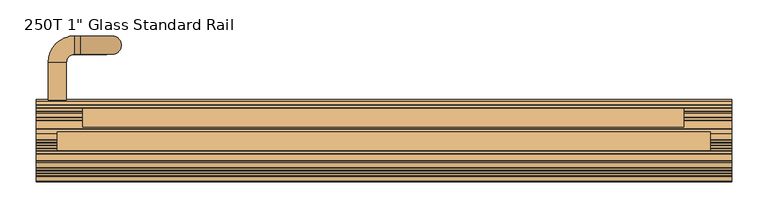
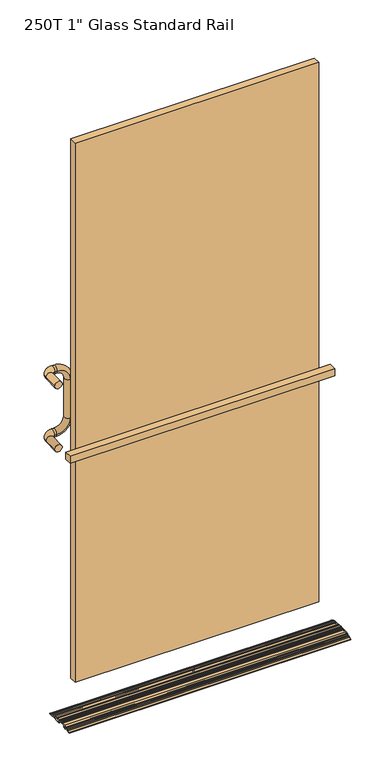
"""IFC4 building model written with IfcOpenShell, lengths in millimetres: door geometry."""

from ifc_helpers import new_model, si_unit, point, frame, origin, place, context, project, spatial, polyline, circle_curve, ellipse_curve, trimmed, outline, extrude, source, transform, mapped, element, save
from ifc_brep_helpers import plane_surface, cylinder_surface, revolved_surface, advanced_brep


def door_d03aa551(model_context):
    return source(origin(), model_context, "Body", "SolidModel", [
        advanced_brep(
        [(482.6, 56.0018773, 3.232503), (482.6, 50.6638234, 5.6801748), (482.6, 49.619888, 5.292623), (482.6, 46.7107366, 6.6265638), (482.6, 46.3231848, 7.6704992), (482.6, 45.4689102, 8.062212), (482.6, 41.1255102, 6.449763), (482.6, 41.1255102, 9.5486209), (482.6, 40.666302, 10.2643645), (482.6, 38.7887102, 11.1253015), (482.6, 32.9213102, 11.1253015), (482.6, 32.1339102, 10.3379015), (482.6, 28.9335102, 10.3379015), (482.6, 28.1461102, 11.1253015), (482.6, 17.3511102, 11.1253015), (482.6, 16.5637102, 10.3379015), (482.6, 10.2137102, 10.3379015), (482.6, 10.2137102, 12.7001015), (482.6, 2.1174048, 12.7001015), (482.6, 1.3300048, 11.9127015), (482.6, -1.8703952, 11.9127015), (482.6, -2.6577952, 12.7001015), (482.6, -5.7343425, 12.7001015), (482.6, -6.5217425, 11.9127015), (482.6, -9.7221425, 11.9127015), (482.6, -10.5095425, 12.7001015), (482.6, -13.5860898, 12.7001015), (482.6, -14.3734898, 11.9127015), (482.6, -17.5738898, 11.9127015), (482.6, -18.3612898, 12.7001015), (482.6, -30.2484898, 12.7001015), (482.6, -37.2890147, 9.711576), (482.6, -37.7061586, 8.6791088), (482.6, -40.6521423, 7.4286129), (482.6, -41.6846095, 7.8457567), (482.6, -44.7708782, 6.5357134), (482.6, -45.188022, 5.5032462), (482.6, -48.1340058, 4.2527503), (482.6, -49.166473, 4.6698941), (482.6, -55.9815515, 1.7770649), (482.6, -56.4612898, 1.0522594), (482.6, -56.4613134, 9.84e-05), (482.6, -51.5229181, 0.6619452), (482.6, -49.2639778, 1.6208084), (482.6, -48.2315106, 1.2036646), (482.6, -43.1812527, 3.3473719), (482.6, -42.7641089, 4.3798391), (482.6, -41.7821143, 4.7966711), (482.6, -40.7496471, 4.3795272), (482.6, -35.6993893, 6.5232345), (482.6, -35.2822455, 7.5557017), (482.6, -33.3475373, 8.3769366), (482.6, -32.3312276, 7.3088865), (482.6, -32.7376898, 5.5373015), (482.6, -32.7376898, 0.0), (482.6, -30.7056898, 0.0), (482.6, -30.7056898, 3.1751015), (482.6, -25.9480674, 3.1751015), (482.6, -26.613477, 8.4977963), (482.6, -26.1637123, 9.9315015), (482.6, -19.3661635, 9.9315015), (482.6, -18.5787635, 9.1441015), (482.6, -13.3686162, 9.1441015), (482.6, -12.5812162, 9.9315015), (482.6, -11.5144162, 9.9315015), (482.6, -10.7270162, 9.1441015), (482.6, -5.5168689, 9.1441015), (482.6, -4.7294689, 9.9315015), (482.6, -3.6626689, 9.9315015), (482.6, -2.8752689, 9.1441015), (482.6, 3.1017102, 9.1441015), (482.6, 3.8891102, 8.3567015), (482.6, 3.8891102, 0.7875015), (482.6, 4.6765102, 0.0001015), (482.6, 10.2137102, 0.0), (482.6, 10.2137102, 2.7687015), (482.6, 16.5637102, 2.7687015), (482.6, 16.5637102, 0.0), (482.6, 22.1009102, 0.0), (482.6, 22.8883102, 0.7875015), (482.6, 22.8883102, 7.5693015), (482.6, 23.6757102, 8.3567015), (482.6, 26.1549621, 8.3567015), (482.6, 26.8531158, 7.2051859), (482.6, 27.3254878, 3.1751015), (482.6, 32.7767326, 3.1751015), (482.6, 33.2491045, 7.2051859), (482.6, 33.9472582, 8.3567015), (482.6, 36.7821102, 8.3567015), (482.6, 36.7821102, 5.9691015), (482.6, 39.1697102, 3.5815015), (482.6, 41.3543822, 3.5815015), (482.6, 43.0813102, 4.2226083), (482.6, 43.0813102, 0.0), (482.6, 45.8499102, 0.0), (482.6, 45.8499102, 3.6144549), (482.6, 46.965502, 4.3301985), (482.6, 52.9111102, 1.6039432), (482.6, 52.9111102, 0.6605015), (482.6, 57.8173069, 0.00297), (-482.6, 56.0018773, 3.232503), (-482.6, 57.8173069, 0.00297), (-482.6, 52.9111102, 0.6605015), (-482.6, 52.9111102, 1.6039432), (-482.6, 46.965502, 4.3301985), (-482.6, 45.8499102, 3.6144549), (-482.6, 45.8499102, 0.0), (-482.6, 43.0813102, 0.0), (-482.6, 43.0813102, 4.2226083), (-482.6, 41.3543822, 3.5815015), (-482.6, 39.1697102, 3.5815015), (-482.6, 36.7821102, 5.9691015), (-482.6, 36.7821102, 8.3567015), (-482.6, 33.9472582, 8.3567015), (-482.6, 33.2491045, 7.2051859), (-482.6, 32.7767326, 3.1751015), (-482.6, 27.3254878, 3.1751015), (-482.6, 26.8531158, 7.2051859), (-482.6, 26.1549621, 8.3567015), (-482.6, 23.6757102, 8.3567015), (-482.6, 22.8883102, 7.5693015), (-482.6, 22.8883102, 0.7875015), (-482.6, 22.1009102, 0.0001015), (-482.6, 16.5637102, 0.0), (-482.6, 16.5637102, 2.7687015), (-482.6, 10.2137102, 2.7687015), (-482.6, 10.2137102, 0.0), (-482.6, 4.6765102, 0.0), (-482.6, 3.8891102, 0.7875015), (-482.6, 3.8891102, 8.3567015), (-482.6, 3.1017102, 9.1441015), (-482.6, -2.8752689, 9.1441015), (-482.6, -3.6626689, 9.9315015), (-482.6, -4.7294689, 9.9315015), (-482.6, -5.5168689, 9.1441015), (-482.6, -10.7270162, 9.1441015), (-482.6, -11.5144162, 9.9315015), (-482.6, -12.5812162, 9.9315015), (-482.6, -13.3686162, 9.1441015), (-482.6, -18.5787635, 9.1441015), (-482.6, -19.3661635, 9.9315015), (-482.6, -26.1637123, 9.9315015), (-482.6, -26.613477, 8.4977963), (-482.6, -25.9480674, 3.1751015), (-482.6, -30.7056898, 3.1751015), (-482.6, -30.7056898, 0.0), (-482.6, -32.7376898, 0.0), (-482.6, -32.7376898, 5.5373015), (-482.6, -32.3312276, 7.3088865), (-482.6, -33.3475373, 8.3769366), (-482.6, -35.2822455, 7.5557017), (-482.6, -35.6993893, 6.5232345), (-482.6, -40.7496471, 4.3795272), (-482.6, -41.7821143, 4.7966711), (-482.6, -42.7641089, 4.3798391), (-482.6, -43.1812527, 3.3473719), (-482.6, -48.2315106, 1.2036646), (-482.6, -49.2639778, 1.6208084), (-482.6, -51.5229181, 0.6619452), (-482.6, -56.4613134, 9.84e-05), (-482.6, -56.4613134, 1.0522594), (-482.6, -55.9815515, 1.7770649), (-482.6, -49.166473, 4.6698941), (-482.6, -48.1340058, 4.2527503), (-482.6, -45.188022, 5.5032462), (-482.6, -44.7708782, 6.5357134), (-482.6, -41.6846095, 7.8457567), (-482.6, -40.6521423, 7.4286129), (-482.6, -37.7061586, 8.6791088), (-482.6, -37.2890147, 9.711576), (-482.6, -30.2484898, 12.7001015), (-482.6, -18.3612898, 12.7001015), (-482.6, -17.5738898, 11.9127015), (-482.6, -14.3734898, 11.9127015), (-482.6, -13.5860898, 12.7001015), (-482.6, -10.5095425, 12.7001015), (-482.6, -9.7221425, 11.9127015), (-482.6, -6.5217425, 11.9127015), (-482.6, -5.7343425, 12.7001015), (-482.6, -2.6577952, 12.7001015), (-482.6, -1.8703952, 11.9127015), (-482.6, 1.3300048, 11.9127015), (-482.6, 2.1174048, 12.7001015), (-482.6, 10.2137102, 12.7001015), (-482.6, 10.2137102, 10.3379015), (-482.6, 16.5637102, 10.3379015), (-482.6, 17.3511102, 11.1253015), (-482.6, 28.1461102, 11.1253015), (-482.6, 28.9335102, 10.3379015), (-482.6, 32.1339102, 10.3379015), (-482.6, 32.9213102, 11.1253015), (-482.6, 38.7887102, 11.1253015), (-482.6, 40.666302, 10.2643645), (-482.6, 41.1255102, 9.5486209), (-482.6, 41.1255102, 6.449763), (-482.6, 45.4689102, 8.062212), (-482.6, 46.3231848, 7.6704992), (-482.6, 46.7107366, 6.6265638), (-482.6, 49.619888, 5.292623), (-482.6, 50.6638234, 5.6801748)],
        [
            (0, 1),
            (1, 2),
            (2, 3),
            (3, 4),
            (4, 5),
            (5, 6),
            (6, 7),
            (7, 8, circle_curve(frame((482.6, 40.3381102, 9.5486209), z_axis=(1.0, 0.0, 0.0), x_axis=(0.0, -1.0, 0.0)), 0.7874)),
            (8, 9),
            (9, 10),
            (10, 11),
            (11, 12),
            (12, 13),
            (13, 14),
            (14, 15, circle_curve(frame((482.6, 17.3511102, 10.3379015), z_axis=(1.0, 0.0, 0.0), x_axis=(0.0, -1.0, 0.0)), 0.7874)),
            (15, 16, circle_curve(frame((482.6, 13.3887102, 24.0835969), z_axis=(-1.0, 0.0, 0.0), x_axis=(0.0, -1.0, 0.0)), 14.1076138)),
            (16, 17),
            (17, 18),
            (18, 19),
            (19, 20),
            (20, 21),
            (21, 22),
            (22, 23),
            (23, 24),
            (24, 25),
            (25, 26),
            (26, 27),
            (27, 28),
            (28, 29),
            (29, 30),
            (30, 31),
            (31, 32),
            (32, 33),
            (33, 34),
            (34, 35),
            (35, 36),
            (36, 37),
            (37, 38),
            (38, 39),
            (39, 40, circle_curve(frame((482.6, -55.6738898, 1.0522594), z_axis=(1.0, 0.0, 0.0), x_axis=(0.0, -1.0, 0.0)), 0.7874)),
            (40, 41),
            (41, 42),
            (42, 43),
            (43, 44),
            (44, 45),
            (45, 46),
            (46, 47),
            (47, 48),
            (48, 49),
            (49, 50),
            (50, 51),
            (51, 52, circle_curve(frame((482.6, -33.0398756, 7.6521311), z_axis=(-1.0, 0.0, 0.0), x_axis=(0.0, -1.0, 0.0)), 0.7874)),
            (52, 53, circle_curve(frame((482.6, -28.6736898, 5.5373015), z_axis=(1.0, 0.0, 0.0), x_axis=(0.0, -1.0, 0.0)), 4.064)),
            (53, 54),
            (54, 55),
            (55, 56),
            (56, 57),
            (57, 58, circle_curve(frame((482.6, -28.6736898, 5.5373015), z_axis=(1.0, 0.0, 0.0), x_axis=(0.0, -1.0, 0.0)), 3.6068)),
            (58, 59, circle_curve(frame((482.6, -26.1637123, 9.1441015), z_axis=(-1.0, 0.0, 0.0), x_axis=(0.0, -1.0, 0.0)), 0.7874)),
            (59, 60),
            (60, 61),
            (61, 62),
            (62, 63),
            (63, 64),
            (64, 65),
            (65, 66),
            (66, 67),
            (67, 68),
            (68, 69),
            (69, 70),
            (70, 71, circle_curve(frame((482.6, 3.1017102, 8.3567015), z_axis=(-1.0, 0.0, 0.0), x_axis=(0.0, -1.0, 0.0)), 0.7874)),
            (71, 72),
            (72, 73, circle_curve(frame((482.6, 4.6765102, 0.7875015), z_axis=(1.0, 0.0, 0.0), x_axis=(0.0, -1.0, 0.0)), 0.7874)),
            (73, 74),
            (74, 75),
            (75, 76),
            (76, 77),
            (77, 78),
            (78, 79, circle_curve(frame((482.6, 22.1009102, 0.7875015), z_axis=(1.0, 0.0, 0.0), x_axis=(0.0, -1.0, 0.0)), 0.7874)),
            (79, 80),
            (80, 81, circle_curve(frame((482.6, 23.6757102, 7.5693015), z_axis=(-1.0, 0.0, 0.0), x_axis=(0.0, -1.0, 0.0)), 0.7874)),
            (81, 82),
            (82, 83, circle_curve(frame((482.6, 26.1549621, 7.5693015), z_axis=(-1.0, 0.0, 0.0), x_axis=(0.0, -1.0, 0.0)), 0.7874)),
            (83, 84, circle_curve(frame((482.6, 30.0511102, 5.5373015), z_axis=(1.0, 0.0, 0.0), x_axis=(0.0, -1.0, 0.0)), 3.6068)),
            (84, 85),
            (85, 86, circle_curve(frame((482.6, 30.0511102, 5.5373015), z_axis=(1.0, 0.0, 0.0), x_axis=(0.0, -1.0, 0.0)), 3.6068)),
            (86, 87, circle_curve(frame((482.6, 33.9472582, 7.5693015), z_axis=(-1.0, 0.0, 0.0), x_axis=(0.0, -1.0, 0.0)), 0.7874)),
            (87, 88),
            (88, 89),
            (89, 90, circle_curve(frame((482.6, 39.1697102, 5.9691015), z_axis=(1.0, 0.0, 0.0), x_axis=(0.0, -1.0, 0.0)), 2.3876)),
            (90, 91),
            (91, 92),
            (92, 93),
            (93, 94),
            (94, 95),
            (95, 96, circle_curve(frame((482.6, 46.6373102, 3.6144549), z_axis=(-1.0, 0.0, 0.0), x_axis=(0.0, -1.0, 0.0)), 0.7874)),
            (96, 97),
            (97, 98),
            (98, 99),
            (99, 0, circle_curve(frame((482.6, 54.6891102, 0.3695285), z_axis=(1.0, 0.0, 0.0), x_axis=(0.0, -1.0, 0.0)), 3.1496)),
            (100, 101, circle_curve(frame((-482.6, 54.6891102, 0.3695285), z_axis=(-1.0, 0.0, 0.0), x_axis=(0.0, -1.0, 0.0)), 3.1496)),
            (101, 102),
            (102, 103),
            (103, 104),
            (104, 105, circle_curve(frame((-482.6, 46.6373102, 3.6144549), z_axis=(1.0, 0.0, 0.0), x_axis=(0.0, -1.0, 0.0)), 0.7874)),
            (105, 106),
            (106, 107),
            (107, 108),
            (108, 109),
            (109, 110),
            (110, 111, circle_curve(frame((-482.6, 39.1697102, 5.9691015), z_axis=(-1.0, 0.0, 0.0), x_axis=(0.0, -1.0, 0.0)), 2.3876)),
            (111, 112),
            (112, 113),
            (113, 114, circle_curve(frame((-482.6, 33.9472582, 7.5693015), z_axis=(1.0, 0.0, 0.0), x_axis=(0.0, -1.0, 0.0)), 0.7874)),
            (114, 115, circle_curve(frame((-482.6, 30.0511102, 5.5373015), z_axis=(-1.0, 0.0, 0.0), x_axis=(0.0, -1.0, 0.0)), 3.6068)),
            (115, 116),
            (116, 117, circle_curve(frame((-482.6, 30.0511102, 5.5373015), z_axis=(-1.0, 0.0, 0.0), x_axis=(0.0, -1.0, 0.0)), 3.6068)),
            (117, 118, circle_curve(frame((-482.6, 26.1549621, 7.5693015), z_axis=(1.0, 0.0, 0.0), x_axis=(0.0, -1.0, 0.0)), 0.7874)),
            (118, 119),
            (119, 120, circle_curve(frame((-482.6, 23.6757102, 7.5693015), z_axis=(1.0, 0.0, 0.0), x_axis=(0.0, -1.0, 0.0)), 0.7874)),
            (120, 121),
            (121, 122, circle_curve(frame((-482.6, 22.1009102, 0.7875015), z_axis=(-1.0, 0.0, 0.0), x_axis=(0.0, -1.0, 0.0)), 0.7874)),
            (122, 123),
            (123, 124),
            (124, 125),
            (125, 126),
            (126, 127),
            (127, 128, circle_curve(frame((-482.6, 4.6765102, 0.7875015), z_axis=(-1.0, 0.0, 0.0), x_axis=(0.0, -1.0, 0.0)), 0.7874)),
            (128, 129),
            (129, 130, circle_curve(frame((-482.6, 3.1017102, 8.3567015), z_axis=(1.0, 0.0, 0.0), x_axis=(0.0, -1.0, 0.0)), 0.7874)),
            (130, 131),
            (131, 132),
            (132, 133),
            (133, 134),
            (134, 135),
            (135, 136),
            (136, 137),
            (137, 138),
            (138, 139),
            (139, 140),
            (140, 141),
            (141, 142, circle_curve(frame((-482.6, -26.1637123, 9.1441015), z_axis=(1.0, 0.0, 0.0), x_axis=(0.0, -1.0, 0.0)), 0.7874)),
            (142, 143, circle_curve(frame((-482.6, -28.6736898, 5.5373015), z_axis=(-1.0, 0.0, 0.0), x_axis=(0.0, -1.0, 0.0)), 3.6068)),
            (143, 144),
            (144, 145),
            (145, 146),
            (146, 147),
            (147, 148, circle_curve(frame((-482.6, -28.6736898, 5.5373015), z_axis=(-1.0, 0.0, 0.0), x_axis=(0.0, -1.0, 0.0)), 4.064)),
            (148, 149, circle_curve(frame((-482.6, -33.0398756, 7.6521311), z_axis=(1.0, 0.0, 0.0), x_axis=(0.0, -1.0, 0.0)), 0.7874)),
            (149, 150),
            (150, 151),
            (151, 152),
            (152, 153),
            (153, 154),
            (154, 155),
            (155, 156),
            (156, 157),
            (157, 158),
            (158, 159),
            (159, 160),
            (160, 161, circle_curve(frame((-482.6, -55.6738898, 1.0522594), z_axis=(-1.0, 0.0, 0.0), x_axis=(0.0, -1.0, 0.0)), 0.7874)),
            (161, 162),
            (162, 163),
            (163, 164),
            (164, 165),
            (165, 166),
            (166, 167),
            (167, 168),
            (168, 169),
            (169, 170),
            (170, 171),
            (171, 172),
            (172, 173),
            (173, 174),
            (174, 175),
            (175, 176),
            (176, 177),
            (177, 178),
            (178, 179),
            (179, 180),
            (180, 181),
            (181, 182),
            (182, 183),
            (183, 184),
            (184, 185, circle_curve(frame((-482.6, 13.3887102, 24.0835969), z_axis=(1.0, 0.0, 0.0), x_axis=(0.0, -1.0, 0.0)), 14.1076138)),
            (185, 186, circle_curve(frame((-482.6, 17.3511102, 10.3379015), z_axis=(-1.0, 0.0, 0.0), x_axis=(0.0, -1.0, 0.0)), 0.7874)),
            (186, 187),
            (187, 188),
            (188, 189),
            (189, 190),
            (190, 191),
            (191, 192),
            (192, 193, circle_curve(frame((-482.6, 40.3381102, 9.5486209), z_axis=(-1.0, 0.0, 0.0), x_axis=(0.0, -1.0, 0.0)), 0.7874)),
            (193, 194),
            (194, 195),
            (195, 196),
            (196, 197),
            (197, 198),
            (198, 199),
            (199, 100),
            (100, 0),
            (99, 101),
            (98, 102),
            (97, 103),
            (96, 104),
            (95, 105),
            (94, 106),
            (93, 107),
            (92, 108),
            (91, 109),
            (90, 110),
            (89, 111),
            (88, 112),
            (87, 113),
            (86, 114),
            (85, 115),
            (84, 116),
            (83, 117),
            (82, 118),
            (81, 119),
            (80, 120),
            (79, 121),
            (78, 122),
            (77, 123),
            (76, 124),
            (75, 125),
            (74, 126),
            (73, 127),
            (72, 128),
            (71, 129),
            (70, 130),
            (69, 131),
            (68, 132),
            (67, 133),
            (66, 134),
            (65, 135),
            (64, 136),
            (63, 137),
            (62, 138),
            (61, 139),
            (60, 140),
            (59, 141),
            (58, 142),
            (57, 143),
            (56, 144),
            (55, 145),
            (54, 146),
            (53, 147),
            (52, 148),
            (51, 149),
            (50, 150),
            (49, 151),
            (48, 152),
            (47, 153),
            (46, 154),
            (45, 155),
            (44, 156),
            (43, 157),
            (42, 158),
            (41, 159),
            (40, 160),
            (39, 161),
            (38, 162),
            (37, 163),
            (36, 164),
            (35, 165),
            (34, 166),
            (33, 167),
            (32, 168),
            (31, 169),
            (30, 170),
            (29, 171),
            (28, 172),
            (27, 173),
            (26, 174),
            (25, 175),
            (24, 176),
            (23, 177),
            (22, 178),
            (21, 179),
            (20, 180),
            (19, 181),
            (18, 182),
            (17, 183),
            (16, 184),
            (15, 185),
            (14, 186),
            (13, 187),
            (12, 188),
            (11, 189),
            (10, 190),
            (9, 191),
            (8, 192),
            (7, 193),
            (6, 194),
            (5, 195),
            (4, 196),
            (3, 197),
            (2, 198),
            (1, 199),
        ],
        [
            plane_surface(frame((482.6, 51.5395102, 0.3695285), z_axis=(1.0, 0.0, 0.0), x_axis=(0.0, 0.0, -1.0))),
            plane_surface(frame((-482.6, 51.5395102, 0.3695285), z_axis=(-1.0, 0.0, 0.0), x_axis=(0.0, 0.0, 1.0))),
            cylinder_surface(frame((482.6, 54.6891102, 0.3695285), z_axis=(-1.0, 0.0, 0.0), x_axis=(0.0, -1.0, 0.0)), 3.1496),
            plane_surface(frame((-482.6, 57.8173069, 0.00297), z_axis=(0.0, -0.13283298616435907, -0.9911384352282274), x_axis=(1.0, 0.0, 0.0))),
            plane_surface(frame((-482.6, 52.9111102, 0.6605015), z_axis=(0.0, -1.0, 0.0), x_axis=(1.0, 0.0, 0.0))),
            plane_surface(frame((-482.6, 52.9111102, 1.6039432), z_axis=(0.0, -0.4168044055904199, -0.9089961977260503), x_axis=(1.0, 0.0, 0.0))),
            revolved_surface(polyline([(482.6, 45.849910200000004, 3.6144549), (-482.6, 45.849910200000004, 3.6144549)]), (482.6, 46.6373102, 3.6144549), (1.0, 0.0, 0.0)),
            plane_surface(frame((-482.6, 45.8499102, 3.6144549), z_axis=(0.0, 1.0, 0.0), x_axis=(1.0, 0.0, 0.0))),
            plane_surface(frame((-482.6, 45.8499102, 0.0), z_axis=(0.0, 0.0, -1.0), x_axis=(1.0, 0.0, 0.0))),
            plane_surface(frame((-482.6, 43.0813102, 0.0), z_axis=(0.0, -1.0, 0.0), x_axis=(1.0, 0.0, 0.0))),
            plane_surface(frame((-482.6, 43.0813102, 4.2226083), z_axis=(0.0, 0.34803215386348857, -0.9374825971062828), x_axis=(1.0, 0.0, 0.0))),
            plane_surface(frame((-482.6, 41.3543822, 3.5815015), z_axis=(0.0, 0.0, -1.0), x_axis=(1.0, 0.0, 0.0))),
            cylinder_surface(frame((482.6, 39.1697102, 5.9691015), z_axis=(-1.0, 0.0, 0.0), x_axis=(0.0, -1.0, 0.0)), 2.3876),
            plane_surface(frame((-482.6, 36.7821102, 5.9691015), z_axis=(0.0, -1.0, 0.0), x_axis=(1.0, 0.0, 0.0))),
            plane_surface(frame((-482.6, 36.7821102, 8.3567015), z_axis=(0.0, 0.0, -1.0), x_axis=(1.0, 0.0, 0.0))),
            revolved_surface(polyline([(482.6, 33.1598582, 7.5693015), (-482.6, 33.1598582, 7.5693015)]), (482.6, 33.9472582, 7.5693015), (1.0, 0.0, 0.0)),
            cylinder_surface(frame((482.6, 30.0511102, 5.5373015), z_axis=(-1.0, 0.0, 0.0), x_axis=(0.0, -1.0, 0.0)), 3.6068),
            plane_surface(frame((-482.6, 32.7767326, 3.1751015), z_axis=(0.0, 0.0, -1.0), x_axis=(1.0, 0.0, 0.0))),
            revolved_surface(polyline([(482.6, 25.367562099999997, 7.5693015), (-482.6, 25.367562099999997, 7.5693015)]), (482.6, 26.1549621, 7.5693015), (1.0, 0.0, 0.0)),
            plane_surface(frame((-482.6, 26.1549621, 8.3567015), z_axis=(0.0, 0.0, -1.0), x_axis=(1.0, 0.0, 0.0))),
            revolved_surface(polyline([(482.6, 22.8883102, 7.5693015), (-482.6, 22.8883102, 7.5693015)]), (482.6, 23.6757102, 7.5693015), (1.0, 0.0, 0.0)),
            plane_surface(frame((-482.6, 22.8883102, 7.5693015), z_axis=(0.0, 1.0, 0.0), x_axis=(1.0, 0.0, 0.0))),
            cylinder_surface(frame((482.6, 22.1009102, 0.7875015), z_axis=(-1.0, 0.0, 0.0), x_axis=(0.0, -1.0, 0.0)), 0.7874),
            plane_surface(frame((-482.6, 22.1009102, 0.0), z_axis=(0.0, 0.0, -1.0), x_axis=(1.0, 0.0, 0.0))),
            plane_surface(frame((-482.6, 16.5637102, 0.0), z_axis=(0.0, -1.0, 0.0), x_axis=(1.0, 0.0, 0.0))),
            plane_surface(frame((-482.6, 16.5637102, 2.7687015), z_axis=(0.0, 0.0, -1.0), x_axis=(1.0, 0.0, 0.0))),
            plane_surface(frame((-482.6, 10.2137102, 2.7687015), z_axis=(0.0, 1.0, 0.0), x_axis=(1.0, 0.0, 0.0))),
            plane_surface(frame((-482.6, 10.2137102, 0.0), z_axis=(0.0, 0.0, -1.0), x_axis=(1.0, 0.0, 0.0))),
            cylinder_surface(frame((482.6, 4.6765102, 0.7875015), z_axis=(-1.0, 0.0, 0.0), x_axis=(0.0, -1.0, 0.0)), 0.7874),
            plane_surface(frame((-482.6, 3.8891102, 0.7875015), z_axis=(0.0, -1.0, 0.0), x_axis=(1.0, 0.0, 0.0))),
            revolved_surface(polyline([(482.6, 2.3143102, 8.3567015), (-482.6, 2.3143102, 8.3567015)]), (482.6, 3.1017102, 8.3567015), (1.0, 0.0, 0.0)),
            plane_surface(frame((-482.6, 3.1017102, 9.1441015), z_axis=(0.0, 0.0, -1.0), x_axis=(1.0, 0.0, 0.0))),
            plane_surface(frame((-482.6, -2.8752689, 9.1441015), z_axis=(0.0, -0.7071067811858994, -0.7071067811871957), x_axis=(1.0, 0.0, 0.0))),
            plane_surface(frame((-482.6, -3.6626689, 9.9315015), z_axis=(0.0, 0.0, -1.0), x_axis=(1.0, 0.0, 0.0))),
            plane_surface(frame((-482.6, -4.7294689, 9.9315015), z_axis=(0.0, 0.7071067811858999, -0.7071067811871952), x_axis=(1.0, 0.0, 0.0))),
            plane_surface(frame((-482.6, -5.5168689, 9.1441015), z_axis=(0.0, 0.0, -1.0), x_axis=(1.0, 0.0, 0.0))),
            plane_surface(frame((-482.6, -10.7270162, 9.1441015), z_axis=(0.0, -0.7071067811865451, -0.7071067811865499), x_axis=(1.0, 0.0, 0.0))),
            plane_surface(frame((-482.6, -11.5144162, 9.9315015), z_axis=(0.0, 0.0, -1.0), x_axis=(1.0, 0.0, 0.0))),
            plane_surface(frame((-482.6, -12.5812162, 9.9315015), z_axis=(0.0, 0.7071067811858999, -0.7071067811871952), x_axis=(1.0, 0.0, 0.0))),
            plane_surface(frame((-482.6, -13.3686162, 9.1441015), z_axis=(0.0, 0.0, -1.0), x_axis=(1.0, 0.0, 0.0))),
            plane_surface(frame((-482.6, -18.5787635, 9.1441015), z_axis=(0.0, -0.7071067811858994, -0.7071067811871957), x_axis=(1.0, 0.0, 0.0))),
            plane_surface(frame((-482.6, -19.3661635, 9.9315015), z_axis=(0.0, 0.0, -1.0), x_axis=(1.0, 0.0, 0.0))),
            revolved_surface(polyline([(482.6, -26.951112300000002, 9.1441015), (-482.6, -26.951112300000002, 9.1441015)]), (482.6, -26.1637123, 9.1441015), (1.0, 0.0, 0.0)),
            cylinder_surface(frame((482.6, -28.6736898, 5.5373015), z_axis=(-1.0, 0.0, 0.0), x_axis=(0.0, -1.0, 0.0)), 3.6068),
            plane_surface(frame((-482.6, -25.9480674, 3.1751015), z_axis=(0.0, 0.0, -1.0), x_axis=(1.0, 0.0, 0.0))),
            plane_surface(frame((-482.6, -30.7056898, 3.1751015), z_axis=(0.0, 1.0, 0.0), x_axis=(1.0, 0.0, 0.0))),
            plane_surface(frame((-482.6, -30.7056898, 0.0), z_axis=(0.0, 0.0, -1.0), x_axis=(1.0, 0.0, 0.0))),
            plane_surface(frame((-482.6, -32.7376898, 0.0), z_axis=(0.0, -1.0, 0.0), x_axis=(1.0, 0.0, 0.0))),
            cylinder_surface(frame((482.6, -28.6736898, 5.5373015), z_axis=(-1.0, 0.0, 0.0), x_axis=(0.0, -1.0, 0.0)), 4.064),
            revolved_surface(polyline([(482.6, -33.8272756, 7.6521311), (-482.6, -33.8272756, 7.6521311)]), (482.6, -33.0398756, 7.6521311), (1.0, 0.0, 0.0)),
            plane_surface(frame((-482.6, -33.3475373, 8.3769366), z_axis=(0.0, 0.3907311284894216, -0.9205048534523776), x_axis=(1.0, 0.0, 0.0))),
            plane_surface(frame((-482.6, -35.2822455, 7.5557017), z_axis=(0.0, 0.9271838545667257, -0.37460659341606467), x_axis=(1.0, 0.0, 0.0))),
            plane_surface(frame((-482.6, -35.6993893, 6.5232345), z_axis=(0.0, 0.39073112848902, -0.9205048534525481), x_axis=(1.0, 0.0, 0.0))),
            plane_surface(frame((-482.6, -40.7496471, 4.3795272), z_axis=(0.0, -0.3746065934149557, -0.9271838545671738), x_axis=(1.0, 0.0, 0.0))),
            plane_surface(frame((-482.6, -41.7821143, 4.7966711), z_axis=(0.0, 0.3907311284888004, -0.9205048534526413), x_axis=(1.0, 0.0, 0.0))),
            plane_surface(frame((-482.6, -42.7641089, 4.3798391), z_axis=(0.0, 0.9271838545667251, -0.3746065934160663), x_axis=(1.0, 0.0, 0.0))),
            plane_surface(frame((-482.6, -43.1812527, 3.3473719), z_axis=(0.0, 0.39073112848946623, -0.9205048534523587), x_axis=(1.0, 0.0, 0.0))),
            plane_surface(frame((-482.6, -48.2315106, 1.2036646), z_axis=(0.0, -0.3746065934171786, -0.9271838545662757), x_axis=(1.0, 0.0, 0.0))),
            plane_surface(frame((-482.6, -49.2639778, 1.6208084), z_axis=(0.0, 0.3907311284899537, -0.9205048534521517), x_axis=(1.0, 0.0, 0.0))),
            plane_surface(frame((-482.6, -51.5229181, 0.6619452), z_axis=(0.0, 0.13283298616442385, -0.9911384352282188), x_axis=(1.0, 0.0, 0.0))),
            plane_surface(frame((-482.6, -56.4613134, 9.84e-05), z_axis=(0.0, -1.0, 0.0), x_axis=(1.0, 0.0, 0.0))),
            cylinder_surface(frame((482.6, -55.6738898, 1.0522594), z_axis=(-1.0, 0.0, 0.0), x_axis=(0.0, -1.0, 0.0)), 0.7874),
            plane_surface(frame((-482.6, -55.9815515, 1.7770649), z_axis=(0.0, -0.39073112848899777, 0.9205048534525575), x_axis=(1.0, 0.0, 0.0))),
            plane_surface(frame((-482.6, -49.166473, 4.6698941), z_axis=(0.0, 0.37460659341495345, 0.9271838545671747), x_axis=(1.0, 0.0, 0.0))),
            plane_surface(frame((-482.6, -48.1340058, 4.2527503), z_axis=(0.0, -0.3907311284894011, 0.9205048534523863), x_axis=(1.0, 0.0, 0.0))),
            plane_surface(frame((-482.6, -45.188022, 5.5032462), z_axis=(0.0, -0.9271838545667257, 0.37460659341606467), x_axis=(1.0, 0.0, 0.0))),
            plane_surface(frame((-482.6, -44.7708782, 6.5357134), z_axis=(0.0, -0.390731128489316, 0.9205048534524225), x_axis=(1.0, 0.0, 0.0))),
            plane_surface(frame((-482.6, -41.6846095, 7.8457567), z_axis=(0.0, 0.37460659341718167, 0.9271838545662745), x_axis=(1.0, 0.0, 0.0))),
            plane_surface(frame((-482.6, -40.6521423, 7.4286129), z_axis=(0.0, -0.39073112848940333, 0.9205048534523854), x_axis=(1.0, 0.0, 0.0))),
            plane_surface(frame((-482.6, -37.7061586, 8.6791088), z_axis=(0.0, -0.9271838545667257, 0.37460659341606506), x_axis=(1.0, 0.0, 0.0))),
            plane_surface(frame((-482.6, -37.2890147, 9.711576), z_axis=(0.0, -0.39073112848944413, 0.9205048534523681), x_axis=(1.0, 0.0, 0.0))),
            plane_surface(frame((-482.6, -30.2484898, 12.7001015), z_axis=(0.0, 0.0, 1.0), x_axis=(1.0, 0.0, 0.0))),
            plane_surface(frame((-482.6, -18.3612898, 12.7001015), z_axis=(0.0, 0.7071067811871952, 0.7071067811858999), x_axis=(1.0, 0.0, 0.0))),
            plane_surface(frame((-482.6, -17.5738898, 11.9127015), z_axis=(0.0, 0.0, 1.0), x_axis=(1.0, 0.0, 0.0))),
            plane_surface(frame((-482.6, -14.3734898, 11.9127015), z_axis=(0.0, -0.707106781187197, 0.707106781185898), x_axis=(1.0, 0.0, 0.0))),
            plane_surface(frame((-482.6, -13.5860898, 12.7001015), z_axis=(0.0, 0.0, 1.0), x_axis=(1.0, 0.0, 0.0))),
            plane_surface(frame((-482.6, -10.5095425, 12.7001015), z_axis=(0.0, 0.7071067811871952, 0.7071067811858999), x_axis=(1.0, 0.0, 0.0))),
            plane_surface(frame((-482.6, -9.7221425, 11.9127015), z_axis=(0.0, 0.0, 1.0), x_axis=(1.0, 0.0, 0.0))),
            plane_surface(frame((-482.6, -6.5217425, 11.9127015), z_axis=(0.0, -0.7071067811871962, 0.7071067811858989), x_axis=(1.0, 0.0, 0.0))),
            plane_surface(frame((-482.6, -5.7343425, 12.7001015), z_axis=(0.0, 0.0, 1.0), x_axis=(1.0, 0.0, 0.0))),
            plane_surface(frame((-482.6, -2.6577952, 12.7001015), z_axis=(0.0, 0.7071067811878458, 0.7071067811852494), x_axis=(1.0, 0.0, 0.0))),
            plane_surface(frame((-482.6, -1.8703952, 11.9127015), z_axis=(0.0, 0.0, 1.0), x_axis=(1.0, 0.0, 0.0))),
            plane_surface(frame((-482.6, 1.3300048, 11.9127015), z_axis=(0.0, -0.7071067811871962, 0.7071067811858989), x_axis=(1.0, 0.0, 0.0))),
            plane_surface(frame((-482.6, 2.1174048, 12.7001015), z_axis=(0.0, 0.0, 1.0), x_axis=(1.0, 0.0, 0.0))),
            plane_surface(frame((-482.6, 10.2137102, 12.7001015), z_axis=(0.0, 1.0, 0.0), x_axis=(1.0, 0.0, 0.0))),
            revolved_surface(polyline([(482.6, -0.7189035999999991, 24.0835969), (-482.6, -0.7189035999999991, 24.0835969)]), (482.6, 13.3887102, 24.0835969), (1.0, 0.0, 0.0)),
            cylinder_surface(frame((482.6, 17.3511102, 10.3379015), z_axis=(-1.0, 0.0, 0.0), x_axis=(0.0, -1.0, 0.0)), 0.7874),
            plane_surface(frame((-482.6, 17.3511102, 11.1253015), z_axis=(0.0, 0.0, 1.0), x_axis=(1.0, 0.0, 0.0))),
            plane_surface(frame((-482.6, 28.1461102, 11.1253015), z_axis=(0.0, 0.707106781185899, 0.7071067811871962), x_axis=(1.0, 0.0, 0.0))),
            plane_surface(frame((-482.6, 28.9335102, 10.3379015), z_axis=(0.0, 0.0, 1.0), x_axis=(1.0, 0.0, 0.0))),
            plane_surface(frame((-482.6, 32.1339102, 10.3379015), z_axis=(0.0, -0.7071067811858999, 0.7071067811871952), x_axis=(1.0, 0.0, 0.0))),
            plane_surface(frame((-482.6, 32.9213102, 11.1253015), z_axis=(0.0, 0.0, 1.0), x_axis=(1.0, 0.0, 0.0))),
            plane_surface(frame((-482.6, 38.7887102, 11.1253015), z_axis=(0.0, 0.4168044055898942, 0.9089961977262915), x_axis=(1.0, 0.0, 0.0))),
            cylinder_surface(frame((482.6, 40.3381102, 9.5486209), z_axis=(-1.0, 0.0, 0.0), x_axis=(0.0, -1.0, 0.0)), 0.7874),
            plane_surface(frame((-482.6, 41.1255102, 9.5486209), z_axis=(0.0, 1.0, 0.0), x_axis=(1.0, 0.0, 0.0))),
            plane_surface(frame((-482.6, 41.1255102, 6.449763), z_axis=(0.0, -0.34803215386352576, 0.9374825971062691), x_axis=(1.0, 0.0, 0.0))),
            plane_surface(frame((-482.6, 45.4689102, 8.062212), z_axis=(0.0, 0.41680440558842324, 0.9089961977269658), x_axis=(1.0, 0.0, 0.0))),
            plane_surface(frame((-482.6, 46.3231848, 7.6704992), z_axis=(0.0, 0.9374825971060472, 0.3480321538641233), x_axis=(1.0, 0.0, 0.0))),
            plane_surface(frame((-482.6, 46.7107366, 6.6265638), z_axis=(0.0, 0.41680440559001053, 0.9089961977262381), x_axis=(1.0, 0.0, 0.0))),
            plane_surface(frame((-482.6, 49.619888, 5.292623), z_axis=(0.0, -0.3480321538633442, 0.9374825971063365), x_axis=(1.0, 0.0, 0.0))),
            plane_surface(frame((-482.6, 50.6638234, 5.6801748), z_axis=(0.0, 0.41680440559015, 0.9089961977261741), x_axis=(1.0, 0.0, 0.0))),
        ],
        [
            (0, [[1, 2, 3, 4, 5, 6, 7, 8, 9, 10, 11, 12, 13, 14, 15, 16, 17, 18, 19, 20, 21, 22, 23, 24, 25, 26, 27, 28, 29, 30, 31, 32, 33, 34, 35, 36, 37, 38, 39, 40, 41, 42, 43, 44, 45, 46, 47, 48, 49, 50, 51, 52, 53, 54, 55, 56, 57, 58, 59, 60, 61, 62, 63, 64, 65, 66, 67, 68, 69, 70, 71, 72, 73, 74, 75, 76, 77, 78, 79, 80, 81, 82, 83, 84, 85, 86, 87, 88, 89, 90, 91, 92, 93, 94, 95, 96, 97, 98, 99, 100]]),
            (1, [[101, 102, 103, 104, 105, 106, 107, 108, 109, 110, 111, 112, 113, 114, 115, 116, 117, 118, 119, 120, 121, 122, 123, 124, 125, 126, 127, 128, 129, 130, 131, 132, 133, 134, 135, 136, 137, 138, 139, 140, 141, 142, 143, 144, 145, 146, 147, 148, 149, 150, 151, 152, 153, 154, 155, 156, 157, 158, 159, 160, 161, 162, 163, 164, 165, 166, 167, 168, 169, 170, 171, 172, 173, 174, 175, 176, 177, 178, 179, 180, 181, 182, 183, 184, 185, 186, 187, 188, 189, 190, 191, 192, 193, 194, 195, 196, 197, 198, 199, 200]]),
            (2, [[-101, 201, -100, 202]]),
            (3, [[-102, -202, -99, 203]]),
            (4, [[-103, -203, -98, 204]]),
            (5, [[-104, -204, -97, 205]]),
            (6, [[-105, -205, -96, 206]]),
            (7, [[-106, -206, -95, 207]]),
            (8, [[-107, -207, -94, 208]]),
            (9, [[-108, -208, -93, 209]]),
            (10, [[-109, -209, -92, 210]]),
            (11, [[-110, -210, -91, 211]]),
            (12, [[-111, -211, -90, 212]]),
            (13, [[-112, -212, -89, 213]]),
            (14, [[-113, -213, -88, 214]]),
            (15, [[-114, -214, -87, 215]]),
            (16, [[-115, -215, -86, 216]]),
            (17, [[-116, -216, -85, 217]]),
            (16, [[-117, -217, -84, 218]]),
            (18, [[-118, -218, -83, 219]]),
            (19, [[-119, -219, -82, 220]]),
            (20, [[-120, -220, -81, 221]]),
            (21, [[-121, -221, -80, 222]]),
            (22, [[-122, -222, -79, 223]]),
            (23, [[-123, -223, -78, 224]]),
            (24, [[-124, -224, -77, 225]]),
            (25, [[-125, -225, -76, 226]]),
            (26, [[-126, -226, -75, 227]]),
            (27, [[-127, -227, -74, 228]]),
            (28, [[-128, -228, -73, 229]]),
            (29, [[-129, -229, -72, 230]]),
            (30, [[-130, -230, -71, 231]]),
            (31, [[-131, -231, -70, 232]]),
            (32, [[-132, -232, -69, 233]]),
            (33, [[-133, -233, -68, 234]]),
            (34, [[-134, -234, -67, 235]]),
            (35, [[-135, -235, -66, 236]]),
            (36, [[-136, -236, -65, 237]]),
            (37, [[-137, -237, -64, 238]]),
            (38, [[-138, -238, -63, 239]]),
            (39, [[-139, -239, -62, 240]]),
            (40, [[-140, -240, -61, 241]]),
            (41, [[-141, -241, -60, 242]]),
            (42, [[-142, -242, -59, 243]]),
            (43, [[-143, -243, -58, 244]]),
            (44, [[-144, -244, -57, 245]]),
            (45, [[-145, -245, -56, 246]]),
            (46, [[-146, -246, -55, 247]]),
            (47, [[-147, -247, -54, 248]]),
            (48, [[-148, -248, -53, 249]]),
            (49, [[-149, -249, -52, 250]]),
            (50, [[-150, -250, -51, 251]]),
            (51, [[-151, -251, -50, 252]]),
            (52, [[-152, -252, -49, 253]]),
            (53, [[-153, -253, -48, 254]]),
            (54, [[-154, -254, -47, 255]]),
            (55, [[-155, -255, -46, 256]]),
            (56, [[-156, -256, -45, 257]]),
            (57, [[-157, -257, -44, 258]]),
            (58, [[-158, -258, -43, 259]]),
            (59, [[-159, -259, -42, 260]]),
            (60, [[-160, -260, -41, 261]]),
            (61, [[-161, -261, -40, 262]]),
            (62, [[-162, -262, -39, 263]]),
            (63, [[-163, -263, -38, 264]]),
            (64, [[-164, -264, -37, 265]]),
            (65, [[-165, -265, -36, 266]]),
            (66, [[-166, -266, -35, 267]]),
            (67, [[-167, -267, -34, 268]]),
            (68, [[-168, -268, -33, 269]]),
            (69, [[-169, -269, -32, 270]]),
            (70, [[-170, -270, -31, 271]]),
            (71, [[-171, -271, -30, 272]]),
            (72, [[-172, -272, -29, 273]]),
            (73, [[-173, -273, -28, 274]]),
            (74, [[-174, -274, -27, 275]]),
            (75, [[-175, -275, -26, 276]]),
            (76, [[-176, -276, -25, 277]]),
            (77, [[-177, -277, -24, 278]]),
            (78, [[-178, -278, -23, 279]]),
            (79, [[-179, -279, -22, 280]]),
            (80, [[-180, -280, -21, 281]]),
            (81, [[-181, -281, -20, 282]]),
            (82, [[-182, -282, -19, 283]]),
            (83, [[-183, -283, -18, 284]]),
            (84, [[-184, -284, -17, 285]]),
            (85, [[-185, -285, -16, 286]]),
            (86, [[-186, -286, -15, 287]]),
            (87, [[-187, -287, -14, 288]]),
            (88, [[-188, -288, -13, 289]]),
            (89, [[-189, -289, -12, 290]]),
            (90, [[-190, -290, -11, 291]]),
            (91, [[-191, -291, -10, 292]]),
            (92, [[-192, -292, -9, 293]]),
            (93, [[-193, -293, -8, 294]]),
            (94, [[-194, -294, -7, 295]]),
            (95, [[-195, -295, -6, 296]]),
            (96, [[-196, -296, -5, 297]]),
            (97, [[-197, -297, -4, 298]]),
            (98, [[-198, -298, -3, 299]]),
            (99, [[-199, -299, -2, 300]]),
            (100, [[-200, -300, -1, -201]]),
        ],
    ),
        advanced_brep(
        [(-465.9311297, 57.15, 1181.1), (-440.5313703, 57.15, 1181.1), (-465.9311297, 57.15, 952.5), (-440.5313703, 57.15, 952.5), (-465.9311297, 109.4147494, 1181.1), (-440.5313703, 109.4147494, 1181.1), (-429.2958791, 120.6502407, 1181.1), (-429.2958791, 146.05, 1181.1), (-421.4811297, 146.05, 1181.1), (-421.4811297, 120.6502407, 1181.1), (-377.0311297, 120.6502407, 1136.65), (-377.0311297, 146.05, 1136.65), (-377.0311297, 146.05, 996.95), (-377.0311297, 120.6502407, 996.95), (-421.4811297, 120.6502407, 952.5), (-421.4811297, 146.05, 952.5), (-429.2958791, 146.05, 952.5), (-429.2958791, 120.6502407, 952.5), (-440.5313703, 109.4147494, 952.5), (-465.9311297, 109.4147494, 952.5)],
        [
            (0, 1, circle_curve(frame((-453.23125, 57.15, 1181.1), z_axis=(0.0, -1.0, 0.0), x_axis=(-1.0, 0.0, 0.0)), 12.6998797)),
            (1, 0, circle_curve(frame((-453.23125, 57.15, 1181.1), z_axis=(0.0, -1.0, 0.0), x_axis=(-1.0, 0.0, 0.0)), 12.6998797)),
            (2, 3, circle_curve(frame((-453.23125, 57.15, 952.5), z_axis=(0.0, -1.0, 0.0), x_axis=(-1.0, 0.0, 0.0)), 12.6998797)),
            (3, 2, circle_curve(frame((-453.23125, 57.15, 952.5), z_axis=(0.0, -1.0, 0.0), x_axis=(-1.0, 0.0, 0.0)), 12.6998797)),
            (0, 4),
            (4, 5, circle_curve(frame((-453.23125, 109.4147494, 1181.1), z_axis=(0.0, -1.0, 0.0), x_axis=(-1.0, 0.0, 0.0)), 12.6998797)),
            (5, 1),
            (5, 4, circle_curve(frame((-453.23125, 109.4147494, 1181.1), z_axis=(0.0, -1.0, 0.0), x_axis=(-1.0, 0.0, 0.0)), 12.6998797)),
            (6, 5, circle_curve(frame((-429.2958791, 109.4147494, 1181.1), z_axis=(0.0, 0.0, 1.0), x_axis=(-1.0, 0.0, 0.0)), 11.2354913)),
            (4, 7, circle_curve(frame((-429.2958791, 109.4147494, 1181.1), z_axis=(0.0, 0.0, -1.0), x_axis=(-1.0, 0.0, 0.0)), 36.6352506)),
            (7, 6, circle_curve(frame((-429.2958791, 133.3501203, 1181.1), z_axis=(-1.0, 0.0, 0.0), x_axis=(0.0, 1.0, 0.0)), 12.6998797)),
            (6, 7, circle_curve(frame((-429.2958791, 133.3501203, 1181.1), z_axis=(-1.0, 0.0, 0.0), x_axis=(0.0, 1.0, 0.0)), 12.6998797)),
            (7, 8),
            (8, 9, circle_curve(frame((-421.4811297, 133.3501203, 1181.1), z_axis=(-1.0, 0.0, 0.0), x_axis=(0.0, 1.0, 0.0)), 12.6998797)),
            (9, 6),
            (9, 8, circle_curve(frame((-421.4811297, 133.3501203, 1181.1), z_axis=(-1.0, 0.0, 0.0), x_axis=(0.0, 1.0, 0.0)), 12.6998797)),
            (10, 9, circle_curve(frame((-421.4811297, 120.6502407, 1136.65), z_axis=(0.0, -1.0, 0.0), x_axis=(0.0, 0.0, 1.0)), 44.45)),
            (8, 11, circle_curve(frame((-421.4811297, 146.05, 1136.65), z_axis=(0.0, 1.0, 0.0), x_axis=(0.0, 0.0, 1.0)), 44.45)),
            (11, 10, circle_curve(frame((-377.0311297, 133.3501203, 1136.65), z_axis=(0.0, 0.0, 1.0), x_axis=(0.0, 1.0, 0.0)), 12.6998797)),
            (10, 11, circle_curve(frame((-377.0311297, 133.3501203, 1136.65), z_axis=(0.0, 0.0, 1.0), x_axis=(0.0, 1.0, 0.0)), 12.6998797)),
            (11, 12),
            (12, 13, circle_curve(frame((-377.0311297, 133.3501203, 996.95), z_axis=(0.0, 0.0, 1.0), x_axis=(0.0, 1.0, 0.0)), 12.6998797)),
            (13, 10),
            (13, 12, circle_curve(frame((-377.0311297, 133.3501203, 996.95), z_axis=(0.0, 0.0, 1.0), x_axis=(0.0, 1.0, 0.0)), 12.6998797)),
            (14, 13, circle_curve(frame((-421.4811297, 120.6502407, 996.95), z_axis=(0.0, -1.0, 0.0), x_axis=(1.0, 0.0, 0.0)), 44.45)),
            (12, 15, circle_curve(frame((-421.4811297, 146.05, 996.95), z_axis=(0.0, 1.0, 0.0), x_axis=(1.0, 0.0, 0.0)), 44.45)),
            (15, 14, circle_curve(frame((-421.4811297, 133.3501203, 952.5), z_axis=(1.0, 0.0, 0.0), x_axis=(0.0, 1.0, 0.0)), 12.6998797)),
            (14, 15, circle_curve(frame((-421.4811297, 133.3501203, 952.5), z_axis=(1.0, 0.0, 0.0), x_axis=(0.0, 1.0, 0.0)), 12.6998797)),
            (15, 16),
            (16, 17, circle_curve(frame((-429.2958791, 133.3501203, 952.5), z_axis=(1.0, 0.0, 0.0), x_axis=(0.0, 1.0, 0.0)), 12.6998797)),
            (17, 14),
            (17, 16, circle_curve(frame((-429.2958791, 133.3501203, 952.5), z_axis=(1.0, 0.0, 0.0), x_axis=(0.0, 1.0, 0.0)), 12.6998797)),
            (18, 17, circle_curve(frame((-429.2958791, 109.4147494, 952.5), z_axis=(0.0, 0.0, -1.0), x_axis=(0.0, 1.0, 0.0)), 11.2354913)),
            (16, 19, circle_curve(frame((-429.2958791, 109.4147494, 952.5), z_axis=(0.0, 0.0, 1.0), x_axis=(0.0, 1.0, 0.0)), 36.6352506)),
            (19, 18, circle_curve(frame((-453.23125, 109.4147494, 952.5), z_axis=(0.0, 1.0, 0.0), x_axis=(-1.0, 0.0, 0.0)), 12.6998797)),
            (18, 19, circle_curve(frame((-453.23125, 109.4147494, 952.5), z_axis=(0.0, 1.0, 0.0), x_axis=(-1.0, 0.0, 0.0)), 12.6998797)),
            (19, 2),
            (3, 18),
        ],
        [
            plane_surface(frame((-465.9311297, 57.15, 1181.1), z_axis=(0.0, -1.0, 0.0), x_axis=(0.0, 0.0, 1.0))),
            plane_surface(frame((-465.9311297, 57.15, 952.5), z_axis=(0.0, -1.0, 0.0), x_axis=(0.0, 0.0, -1.0))),
            cylinder_surface(frame((-453.23125, 57.15, 1181.1), z_axis=(0.0, -1.0, 0.0), x_axis=(-1.0, 0.0, 0.0)), 12.6998797),
            revolved_surface(trimmed(ellipse_curve(frame((-453.23125, 109.4147494, 1181.1), z_axis=(0.0, -1.0, 0.0), x_axis=(-1.0, 0.0, 0.0)), 12.6998797, 12.6998797), [point((-465.9311297, 109.4147494, 1181.1))], [point((-440.5313703, 109.4147494, 1181.1))], True, "CARTESIAN"), (-429.2958791, 109.4147494, 1181.1), (0.0, 0.0, -1.0)),
            revolved_surface(trimmed(ellipse_curve(frame((-453.23125, 109.4147494, 1181.1), z_axis=(0.0, -1.0, 0.0), x_axis=(-1.0, 0.0, 0.0)), 12.6998797, 12.6998797), [point((-440.5313703, 109.4147494, 1181.1))], [point((-465.9311297, 109.4147494, 1181.1))], True, "CARTESIAN"), (-429.2958791, 109.4147494, 1181.1), (0.0, 0.0, -1.0)),
            cylinder_surface(frame((-429.2958791, 133.3501203, 1181.1), z_axis=(-1.0, 0.0, 0.0), x_axis=(0.0, 1.0, 0.0)), 12.6998797),
            revolved_surface(trimmed(ellipse_curve(frame((-421.4811297, 133.3501203, 1181.1), z_axis=(-1.0, 0.0, 0.0), x_axis=(0.0, 1.0, 0.0)), 12.6998797, 12.6998797), [point((-421.4811297, 146.05, 1181.1))], [point((-421.4811297, 120.6502407, 1181.1))], True, "CARTESIAN"), (-421.4811297, 133.35, 1136.65), (0.0, 1.0, 0.0)),
            revolved_surface(trimmed(ellipse_curve(frame((-421.4811297, 133.3501203, 1181.1), z_axis=(-1.0, 0.0, 0.0), x_axis=(0.0, 1.0, 0.0)), 12.6998797, 12.6998797), [point((-421.4811297, 120.6502407, 1181.1))], [point((-421.4811297, 146.05, 1181.1))], True, "CARTESIAN"), (-421.4811297, 133.35, 1136.65), (0.0, 1.0, 0.0)),
            cylinder_surface(frame((-377.0311297, 133.3501203, 1136.65), z_axis=(0.0, 0.0, 1.0), x_axis=(0.0, 1.0, 0.0)), 12.6998797),
            revolved_surface(trimmed(ellipse_curve(frame((-377.0311297, 133.3501203, 996.95), z_axis=(0.0, 0.0, 1.0), x_axis=(0.0, 1.0, 0.0)), 12.6998797, 12.6998797), [point((-377.0311297, 146.05, 996.95))], [point((-377.0311297, 120.6502407, 996.95))], True, "CARTESIAN"), (-421.4811297, 133.35, 996.95), (0.0, 1.0, 0.0)),
            revolved_surface(trimmed(ellipse_curve(frame((-377.0311297, 133.3501203, 996.95), z_axis=(0.0, 0.0, 1.0), x_axis=(0.0, 1.0, 0.0)), 12.6998797, 12.6998797), [point((-377.0311297, 120.6502407, 996.95))], [point((-377.0311297, 146.05, 996.95))], True, "CARTESIAN"), (-421.4811297, 133.35, 996.95), (0.0, 1.0, 0.0)),
            cylinder_surface(frame((-421.4811297, 133.3501203, 952.5), z_axis=(1.0, 0.0, 0.0), x_axis=(0.0, 1.0, 0.0)), 12.6998797),
            revolved_surface(trimmed(ellipse_curve(frame((-429.2958791, 133.3501203, 952.5), z_axis=(1.0, 0.0, 0.0), x_axis=(0.0, 1.0, 0.0)), 12.6998797, 12.6998797), [point((-429.2958791, 146.05, 952.5))], [point((-429.2958791, 120.6502407, 952.5))], True, "CARTESIAN"), (-429.2958791, 109.4147494, 952.5), (0.0, 0.0, 1.0)),
            revolved_surface(trimmed(ellipse_curve(frame((-429.2958791, 133.3501203, 952.5), z_axis=(1.0, 0.0, 0.0), x_axis=(0.0, 1.0, 0.0)), 12.6998797, 12.6998797), [point((-429.2958791, 120.6502407, 952.5))], [point((-429.2958791, 146.05, 952.5))], True, "CARTESIAN"), (-429.2958791, 109.4147494, 952.5), (0.0, 0.0, 1.0)),
            cylinder_surface(frame((-453.23125, 109.4147494, 952.5), z_axis=(0.0, 1.0, 0.0), x_axis=(-1.0, 0.0, 0.0)), 12.6998797),
        ],
        [
            (0, [[1, 2]]),
            (1, [[3, 4]]),
            (2, [[-1, 5, 6, 7]]),
            (2, [[-2, -7, 8, -5]]),
            (3, [[9, -6, 10, 11]]),
            (4, [[-10, -8, -9, 12]]),
            (5, [[-11, 13, 14, 15]]),
            (5, [[-12, -15, 16, -13]]),
            (6, [[17, -14, 18, 19]]),
            (7, [[-18, -16, -17, 20]]),
            (8, [[-19, 21, 22, 23]]),
            (8, [[-20, -23, 24, -21]]),
            (9, [[25, -22, 26, 27]]),
            (10, [[-26, -24, -25, 28]]),
            (11, [[-27, 29, 30, 31]]),
            (11, [[-28, -31, 32, -29]]),
            (12, [[33, -30, 34, 35]]),
            (13, [[-34, -32, -33, 36]]),
            (14, [[-35, 37, -4, 38]]),
            (14, [[-36, -38, -3, -37]]),
        ],
    ),
        extrude(outline(polyline([(415.925, 45.24375), (415.925, 19.84375), (-417.5125, 19.84375), (-417.5125, 45.24375), (415.925, 45.24375)])), frame((0.0, 0.0, 114.3), z_axis=(0.0, 0.0, 1.0), x_axis=(1.0, 0.0, 0.0)), (0.0, 0.0, 1.0), 1952.625),
        extrude(outline(polyline([(-453.23125, -12.7), (-453.23125, 12.7), (452.4375, 12.7), (452.4375, -12.7), (-453.23125, -12.7)])), frame((0.0, 0.0, 939.8), z_axis=(0.0, 0.0, 1.0), x_axis=(1.0, 0.0, 0.0)), (0.0, 0.0, 1.0), 25.3998797),
    ])


if __name__ == "__main__":
    model = new_model("IFC4")
    model_context = context("Model", 3, world=origin())
    ifc_project = project(units=[si_unit("LENGTHUNIT", "METRE", prefix="MILLI")], contexts=[model_context])
    site = spatial("IfcSite", under=ifc_project)
    building = spatial("IfcBuilding", under=site)
    placement = place(None, origin())
    door_shape = door_d03aa551(model_context)
    element("IfcDoor", 1, ObjectType="250T 1\" Glass Standard Rail", at=placement, inside=building, context=model_context, shape_type="MappedRepresentation", body=[
        mapped(door_shape, transform((0.0, 0.0, 0.0), x_axis=(1.0, 0.0, 0.0), y_axis=(0.0, 1.0, 0.0), z_axis=(0.0, 0.0, 1.0))),
    ])
    save(model, "model.ifc")
